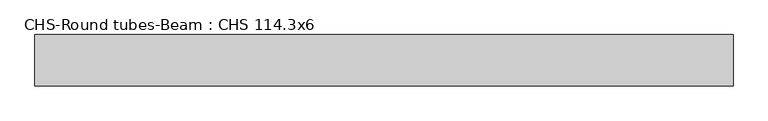
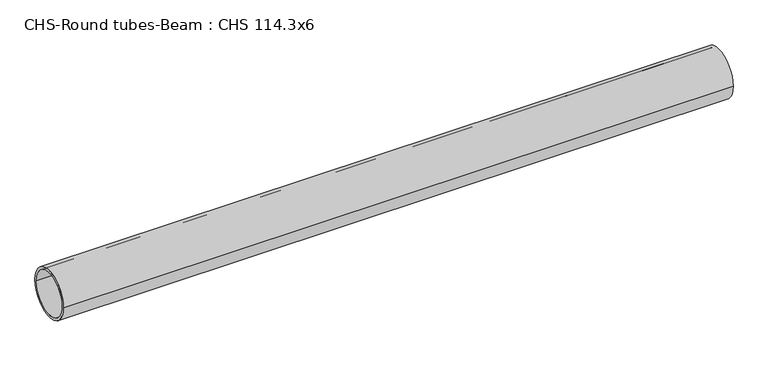
"""IFC4 building model written with IfcOpenShell, lengths in millimetres: beam geometry, CHS-Round tubes-Beam : CHS 114.3x6."""

from ifc_helpers import new_model, si_unit, point, frame, origin, origin_2d, place, context, project, spatial, circle_curve, trimmed, segment, composite_curve, outline, extrude, source, transform, mapped, element, save


def chs_round_tubes_beam_chs_114_3x6_5bc3deb6(model_context):
    return source(origin(), model_context, "Body", "SweptSolid", [
        extrude(outline(composite_curve([segment(trimmed(circle_curve(origin_2d(), 57.15), [point((57.15, 0.0))], [point((-57.15, 0.0))], False, "CARTESIAN"), True, "CONTINUOUS"), segment(trimmed(circle_curve(origin_2d(), 57.15), [point((-57.15, 0.0))], [point((57.15, 0.0))], False, "CARTESIAN"), True, "CONTINUOUS")], self_intersect=False), holes=[composite_curve([segment(trimmed(circle_curve(origin_2d(), 51.15), [point((51.15, 0.0))], [point((-51.15, 0.0))], True, "CARTESIAN"), True, "CONTINUOUS"), segment(trimmed(circle_curve(origin_2d(), 51.15), [point((-51.15, 0.0))], [point((51.15, 0.0))], True, "CARTESIAN"), True, "CONTINUOUS")], self_intersect=False)]), frame((-790.0428294, 0.0, 0.0), z_axis=(1.0, 0.0, 0.0), x_axis=(0.0, 1.0, 0.0)), (0.0, 0.0, 1.0), 1555.3913288),
    ])


if __name__ == "__main__":
    model = new_model("IFC4")
    model_context = context("Model", 3, world=origin())
    ifc_project = project(units=[si_unit("LENGTHUNIT", "METRE", prefix="MILLI")], contexts=[model_context])
    site = spatial("IfcSite", under=ifc_project)
    building = spatial("IfcBuilding", under=site)
    placement = place(None, origin())
    chs_round_tubes_beam_chs_114_3x6_shape = chs_round_tubes_beam_chs_114_3x6_5bc3deb6(model_context)
    element("IfcBeam", 1, ObjectType="CHS-Round tubes-Beam : CHS 114.3x6", at=placement, inside=building, context=model_context, shape_type="MappedRepresentation", body=[
        mapped(chs_round_tubes_beam_chs_114_3x6_shape, transform((0.0, 0.0, 0.0), x_axis=(1.0, 0.0, 0.0), y_axis=(0.0, 1.0, 0.0), z_axis=(0.0, 0.0, 1.0))),
    ])
    save(model, "model.ifc")
